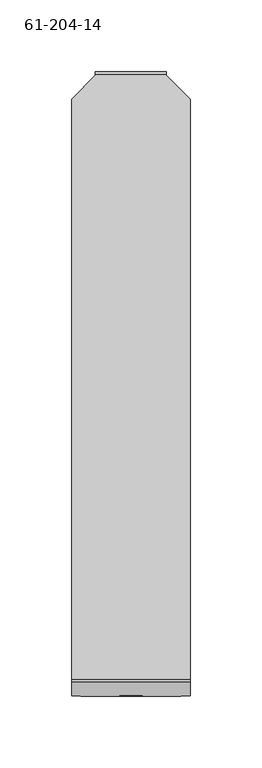
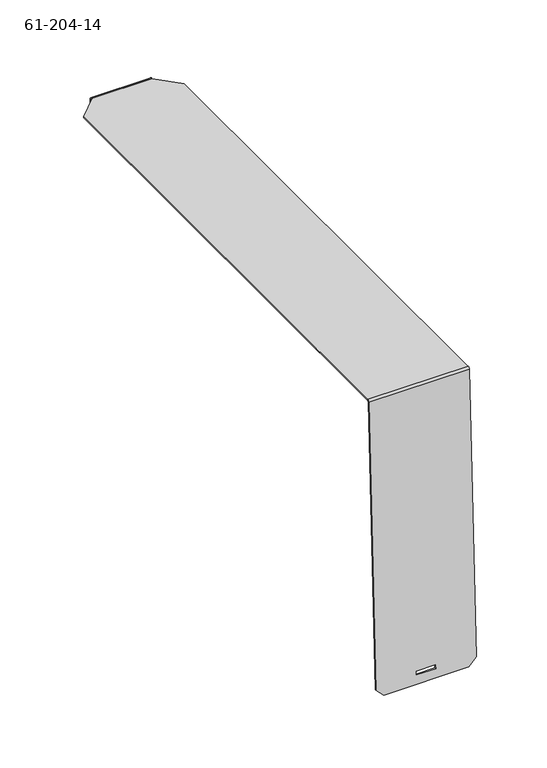
"""IFC4 building model written with IfcOpenShell, lengths in millimetres: proxy geometry, 61-204-14."""

import ifcopenshell
import ifcopenshell.guid

model = None  # the IFC model being written
_history = None  # IfcOwnerHistory: only IFC2X3 demands one
_inside = {}  # id of a spatial element -> (the spatial element, [elements in it])
_under = {}  # id of a project, library or spatial element -> (it, [spatial elements below it])
_declared = {}  # id of a project -> (the project, [libraries it declares])
_typed = {}  # id of a type object -> (the type object, [elements of that type])
_made_of = {}  # id of a material, layer set ... -> (it, [elements and type objects made of it])


def new_model(schema):
    """Start an empty IFC model of exactly this schema.

    Asked for "IFC4X3", IfcOpenShell would pick the latest addendum, in which some entities
    have other attributes; the version numbers below select the first issue.
    IFC2X3 requires an IfcOwnerHistory on every rooted entity: one is made here for all.
    """
    global model, _history
    if schema == "IFC4X3":
        model = ifcopenshell.file(schema_version=(4, 3, 0, 0))
    else:
        model = ifcopenshell.file(schema=schema)
    _inside.clear()
    _under.clear()
    _declared.clear()
    _typed.clear()
    _made_of.clear()
    _history = None
    if model.schema == "IFC2X3":
        org = make("IfcOrganization", Name="unknown")
        user = make(
            "IfcPersonAndOrganization",
            ThePerson=make("IfcPerson", FamilyName="unknown"),
            TheOrganization=org,
        )
        app = make(
            "IfcApplication",
            ApplicationDeveloper=org,
            Version="unknown",
            ApplicationFullName="unknown",
            ApplicationIdentifier="unknown",
        )
        _history = make(
            "IfcOwnerHistory",
            OwningUser=user,
            OwningApplication=app,
            ChangeAction="ADDED",
            CreationDate=0,
        )
    return model


def make(cls, **values):
    """One entity of the class cls with the attributes given. An attribute that is None is left unset."""
    return model.create_entity(
        cls, **{name: value for name, value in values.items() if value is not None}
    )


def rooted(cls, **values):
    """An entity with a GlobalId (a new one), such as an element, a storey or a relation."""
    return make(cls, GlobalId=ifcopenshell.guid.new(), OwnerHistory=_history, **values)


def si_unit(unit_type, name, prefix=None):
    """IfcSIUnit, for example si_unit("LENGTHUNIT", "METRE", prefix="MILLI")."""
    return make("IfcSIUnit", UnitType=unit_type, Prefix=prefix, Name=name)


def assignment(units):
    """IfcUnitAssignment: the units of a project."""
    return None if units is None else make("IfcUnitAssignment", Units=units)


def point(xyz):
    """IfcCartesianPoint."""
    return None if xyz is None else make("IfcCartesianPoint", Coordinates=xyz)


def direction(xyz):
    """IfcDirection."""
    return None if xyz is None else make("IfcDirection", DirectionRatios=xyz)


def frame(location, z_axis=None, x_axis=None):
    """IfcAxis2Placement3D, a coordinate frame: its origin and axes. An axis left out is left unset."""
    return make(
        "IfcAxis2Placement3D",
        Location=point(location),
        Axis=direction(z_axis),
        RefDirection=direction(x_axis),
    )


def origin():
    """The frame at (0, 0, 0) with its axes left unset."""
    return frame((0.0, 0.0, 0.0))


def place(relative_to, where):
    """IfcLocalPlacement: puts the frame where relative to a parent placement (None: the world)."""
    return make(
        "IfcLocalPlacement", PlacementRelTo=relative_to, RelativePlacement=where
    )


def context(
    kind, dimensions, precision=None, world=None, true_north=None, identifier=None
):
    """IfcGeometricRepresentationContext, for example the 3D "Model" context."""
    return make(
        "IfcGeometricRepresentationContext",
        ContextIdentifier=identifier,
        ContextType=kind,
        CoordinateSpaceDimension=dimensions,
        Precision=precision,
        WorldCoordinateSystem=world,
        TrueNorth=true_north,
    )


def project(units=None, contexts=None):
    """IfcProject with its units and contexts."""
    return rooted(
        "IfcProject",
        Name="project",
        RepresentationContexts=contexts,
        UnitsInContext=assignment(units),
    )


def spatial(cls, under=None, at=None, **own):
    """A site, building, storey or space (cls), placed at a placement, below another one or the project."""
    s = rooted(cls, ObjectPlacement=at, **own)
    if under is not None:
        _under.setdefault(under.id(), (under, []))[1].append(s)
    return s


def polyline(points):
    """IfcPolyline through the points."""
    return make("IfcPolyline", Points=[point(p) for p in points])


def circle_curve(where, radius):
    """IfcCircle in the frame where."""
    return make("IfcCircle", Position=where, Radius=radius)


def shape(context_of_items, identifier, shape_type, items):
    """IfcShapeRepresentation: the items that make up one representation, for example the "Body"."""
    return make(
        "IfcShapeRepresentation",
        ContextOfItems=context_of_items,
        RepresentationIdentifier=identifier,
        RepresentationType=shape_type,
        Items=items,
    )


def source(mapping_origin, context_of_items, identifier, shape_type, items):
    """IfcRepresentationMap: a shape defined once, which mapped items show again and again."""
    return make(
        "IfcRepresentationMap",
        MappingOrigin=mapping_origin,
        MappedRepresentation=shape(context_of_items, identifier, shape_type, items),
    )


def transform(
    local_origin,
    x_axis=None,
    y_axis=None,
    z_axis=None,
    scale=None,
    scale2=None,
    scale3=None,
    uniform=True,
):
    """IfcCartesianTransformationOperator3D, or its non-uniform kind. x_axis, y_axis, z_axis: its Axis1, 2, 3."""
    if uniform:
        return make(
            "IfcCartesianTransformationOperator3D",
            Axis1=direction(x_axis),
            Axis2=direction(y_axis),
            LocalOrigin=point(local_origin),
            Scale=scale,
            Axis3=direction(z_axis),
        )
    return make(
        "IfcCartesianTransformationOperator3DnonUniform",
        Axis1=direction(x_axis),
        Axis2=direction(y_axis),
        LocalOrigin=point(local_origin),
        Scale=scale,
        Axis3=direction(z_axis),
        Scale2=scale2,
        Scale3=scale3,
    )


def mapped(mapping_source, mapping_target):
    """IfcMappedItem: shows the shape of a source again, moved by a transform."""
    return make(
        "IfcMappedItem", MappingSource=mapping_source, MappingTarget=mapping_target
    )


def made_of(thing, what):
    """Note that an element or type object is made of a material, layer set ...; save() writes the relation."""
    if what is not None:
        _made_of.setdefault(what.id(), (what, []))[1].append(thing)
    return thing


def element(
    cls,
    number,
    at=None,
    inside=None,
    cuts=None,
    type_object=None,
    material=None,
    context=None,
    identifier="Body",
    shape_type=None,
    held_by="IfcProductDefinitionShape",
    body=None,
    shapes=None,
    **own,
):
    """One element of the class cls, such as IfcWall. Its Tag is "e" and its number.

    at: its placement. inside: the storey or other place that contains it. cuts: it is an
    opening in that element (IfcRelVoidsElement). A single representation is given by context,
    identifier, shape_type and body (its items); several are given by shapes. held_by: the class
    of the entity that holds the representations. save() writes the other relations.
    """
    e = rooted(cls, Tag="e%d" % number, ObjectPlacement=at, **own)
    if body is not None:
        shapes = [shape(context, identifier, shape_type, body)]
    if shapes is not None:
        e.Representation = make(held_by, Representations=shapes)
    if inside is not None:
        _inside.setdefault(inside.id(), (inside, []))[1].append(e)
    if cuts is not None:
        rooted(
            "IfcRelVoidsElement", RelatingBuildingElement=cuts, RelatedOpeningElement=e
        )
    if type_object is not None:
        _typed.setdefault(type_object.id(), (type_object, []))[1].append(e)
    return made_of(e, material)


def aggregate(whole, parts):
    """IfcRelAggregates: a whole, such as a stair, and the parts it consists of."""
    return rooted("IfcRelAggregates", RelatingObject=whole, RelatedObjects=parts)


def save(model, path):
    """Write the relations noted so far, then the file.

    IfcRelAggregates (storeys below a building ...), IfcRelContainedInSpatialStructure (elements
    in a storey), IfcRelDefinesByType, IfcRelAssociatesMaterial and IfcRelDeclares: one each for
    every whole, place, type object, material and project.
    """
    for whole, parts in _under.values():
        aggregate(whole, parts)
    for where, things in _inside.values():
        rooted(
            "IfcRelContainedInSpatialStructure",
            RelatedElements=things,
            RelatingStructure=where,
        )
    for kind, things in _typed.values():
        rooted("IfcRelDefinesByType", RelatedObjects=things, RelatingType=kind)
    for what, things in _made_of.values():
        rooted("IfcRelAssociatesMaterial", RelatedObjects=things, RelatingMaterial=what)
    for by, libraries in _declared.values():
        rooted("IfcRelDeclares", RelatingContext=by, RelatedDefinitions=libraries)
    model.write(path)


def plane_surface(at):
    """IfcPlane: the flat surface through the origin of the frame at, square to its z axis."""
    return make("IfcPlane", Position=at)


def cylinder_surface(at, radius):
    """IfcCylindricalSurface: all points at the distance radius from the z axis of the frame at."""
    return make("IfcCylindricalSurface", Position=at, Radius=radius)


def revolved_surface(curve, axis_point, axis_direction):
    """IfcSurfaceOfRevolution: the curve turned about the line through axis_point along axis_direction."""
    return make(
        "IfcSurfaceOfRevolution",
        SweptCurve=make("IfcArbitraryOpenProfileDef", ProfileType="CURVE", Curve=curve),
        AxisPosition=make("IfcAxis1Placement", Location=point(axis_point), Axis=direction(axis_direction)),
    )


def advanced_brep(points, edges, surfaces, faces):
    """IfcAdvancedBrep: a solid bounded by faces that lie on surfaces and meet in shared edges.

    An edge is (start, end): straight between two places in points (the first is 0);
    or (start, end, curve); or (start, end, curve, False) where it runs against its curve.
    A face is (place in surfaces, loops), or (place, loops, False) where it looks against
    its surface's normal. A loop lists edges by number (the first is 1), with a minus sign
    where the edge is run from its end to its start. The first loop is the outer one.
    """
    corners = [point(p) for p in points]
    vertices = [make("IfcVertexPoint", VertexGeometry=c) for c in corners]
    made = []
    for start, end, *more in edges:
        made.append(
            make(
                "IfcEdgeCurve",
                EdgeStart=vertices[start],
                EdgeEnd=vertices[end],
                EdgeGeometry=more[0] if more else make("IfcPolyline", Points=[corners[start], corners[end]]),
                SameSense=more[1] if len(more) > 1 else True,
            )
        )
    hull = []
    for where, loops, *sense in faces:
        bounds = []
        for j, loop in enumerate(loops):
            ring = [make("IfcOrientedEdge", EdgeElement=made[abs(k) - 1], Orientation=k > 0) for k in loop]
            bounds.append(
                make(
                    "IfcFaceOuterBound" if j == 0 else "IfcFaceBound",
                    Bound=make("IfcEdgeLoop", EdgeList=ring),
                    Orientation=True,
                )
            )
        hull.append(make("IfcAdvancedFace", Bounds=bounds, FaceSurface=surfaces[where], SameSense=sense[0] if sense else True))
    return make("IfcAdvancedBrep", Outer=make("IfcClosedShell", CfsFaces=hull))


def proxy_61_204_14_626d9cd8(model_context):
    return source(origin(), model_context, "Body", "AdvancedBrep", [
        advanced_brep(
        [(0.0, -10.8620109, -244.719881), (6.35, -11.1223846, -251.0645406), (6.35, -11.9751069, -251.0295464), (0.0, -11.7147331, -244.6848867), (0.0, -1.7054445, -0.7834515), (0.0, -0.8527223, -0.8184458), (76.2, -11.9751069, -251.0295464), (82.55, -11.7147331, -244.6848867), (82.55, -1.7054445, -0.7834515), (33.3375, -11.6517214, -243.1494485), (33.3375, -11.5215345, -239.9771187), (49.2125, -11.5215345, -239.9771187), (49.2125, -11.6517214, -243.1494485), (76.2, -11.1223846, -251.0645406), (82.55, -10.8620109, -244.719881), (82.55, -0.8527223, -0.8184458), (33.3375, -10.7989992, -243.1844427), (33.3375, -10.6688123, -240.0121129), (49.2125, -10.7989992, -243.1844427), (49.2125, -10.6688123, -240.0121129), (0.0, 404.495, 0.85344), (16.51, 421.005, 0.85344), (16.51, 421.005, 0.0), (0.0, 404.495, 0.0), (66.04, 421.005, 0.85344), (82.55, 404.495, 0.85344), (82.55, 404.495, 0.0), (66.04, 421.005, 0.0), (0.0, 0.0, 0.0), (0.0, 0.0, 0.85344), (16.51, 421.83812, 0.0), (66.04, 421.83812, 0.0), (82.55, 0.0, 0.0), (16.51, 417.195, -8.67156), (19.685, 414.02, -8.67156), (19.685, 414.02, -7.81812), (16.51, 417.195, -7.81812), (62.865, 414.02, -8.67156), (62.865, 414.02, -7.81812), (16.51, 421.83812, -8.67156), (66.04, 421.83812, -8.67156), (66.04, 417.195, -8.67156), (66.04, 417.195, -7.81812), (66.04, 421.83812, -7.81812), (16.51, 421.83812, -7.81812), (16.51, 422.69156, -6.96468), (16.51, 422.69156, -0.85344), (16.51, 421.83812, 0.85344), (16.51, 423.545, -0.85344), (16.51, 423.545, -6.96468), (66.04, 423.545, -6.96468), (66.04, 423.545, -0.85344), (66.04, 421.83812, 0.85344), (66.04, 422.69156, -0.85344), (66.04, 422.69156, -6.96468), (82.55, 0.0, 0.85344)],
        [
            (0, 1),
            (1, 2),
            (2, 3),
            (3, 0),
            (3, 4),
            (4, 5),
            (5, 0),
            (2, 6),
            (6, 7),
            (7, 8),
            (8, 4),
            (9, 10),
            (10, 11),
            (11, 12),
            (12, 9),
            (13, 14),
            (14, 7),
            (6, 13),
            (14, 15),
            (15, 8),
            (1, 13),
            (9, 16),
            (16, 17),
            (17, 10),
            (12, 18),
            (18, 16),
            (11, 19),
            (19, 18),
            (17, 19),
            (20, 21),
            (21, 22),
            (22, 23),
            (23, 20),
            (24, 25),
            (25, 26),
            (26, 27),
            (27, 24),
            (23, 28),
            (28, 29),
            (29, 20),
            (22, 30),
            (30, 31),
            (31, 27),
            (26, 32),
            (32, 28),
            (33, 34),
            (34, 35),
            (35, 36),
            (36, 33),
            (34, 37),
            (37, 38),
            (38, 35),
            (33, 39),
            (39, 40),
            (40, 41),
            (41, 37),
            (42, 38),
            (41, 42),
            (42, 43),
            (43, 44),
            (44, 36),
            (44, 45, circle_curve(frame((16.51, 421.83812, -6.96468), z_axis=(1.0, 0.0, 0.0), x_axis=(0.0, 1.0, 0.0)), 0.85344)),
            (45, 46),
            (46, 30, circle_curve(frame((16.51, 421.83812, -0.85344), z_axis=(1.0, 0.0, 0.0), x_axis=(0.0, 0.0, 1.0)), 0.85344)),
            (21, 47),
            (47, 48, circle_curve(frame((16.51, 421.83812, -0.85344), z_axis=(-1.0, 0.0, 0.0), x_axis=(0.0, 0.0, 1.0)), 1.70688)),
            (48, 49),
            (49, 39, circle_curve(frame((16.51, 421.83812, -6.96468), z_axis=(-1.0, 0.0, 0.0), x_axis=(0.0, 1.0, 0.0)), 1.70688)),
            (40, 50, circle_curve(frame((66.04, 421.83812, -6.96468), z_axis=(1.0, 0.0, 0.0), x_axis=(0.0, 1.0, 0.0)), 1.70688)),
            (50, 51),
            (51, 52, circle_curve(frame((66.04, 421.83812, -0.85344), z_axis=(1.0, 0.0, 0.0), x_axis=(0.0, 0.0, 1.0)), 1.70688)),
            (52, 24),
            (31, 53, circle_curve(frame((66.04, 421.83812, -0.85344), z_axis=(-1.0, 0.0, 0.0), x_axis=(0.0, 0.0, 1.0)), 0.85344)),
            (53, 54),
            (54, 43, circle_curve(frame((66.04, 421.83812, -6.96468), z_axis=(-1.0, 0.0, 0.0), x_axis=(0.0, 1.0, 0.0)), 0.85344)),
            (48, 51),
            (50, 49),
            (47, 52),
            (29, 55),
            (55, 25),
            (15, 5),
            (5, 28, circle_curve(frame((0.0, 0.0, -0.85344), z_axis=(-1.0, 0.0, 0.0), x_axis=(0.0, 0.0, 1.0)), 0.85344)),
            (32, 15, circle_curve(frame((82.55, 0.0, -0.85344), z_axis=(1.0, 0.0, 0.0), x_axis=(0.0, 0.0, 1.0)), 0.85344)),
            (4, 29, circle_curve(frame((0.0, 0.0, -0.85344), z_axis=(-1.0, 0.0, 0.0), x_axis=(0.0, 0.0, 1.0)), 1.70688)),
            (32, 55),
            (55, 8, circle_curve(frame((82.55, 0.0, -0.85344), z_axis=(1.0, 0.0, 0.0), x_axis=(0.0, 0.0, 1.0)), 1.70688)),
            (54, 45),
            (46, 53),
        ],
        [
            plane_surface(frame((3.175, -11.84492, -247.8572166), z_axis=(-0.7071067811865475, -0.028994021719830402, -0.706512099474956), x_axis=(-0.70680925270258, 0.0, 0.7074041845324499))),
            plane_surface(frame((0.0, -1.7054445, -0.7834515), z_axis=(-1.0000000000000002, 0.0, 0.0), x_axis=(0.0, -0.9991589930581711, 0.0410037387439448))),
            plane_surface(frame((41.275, -11.6756771, -243.7331878), z_axis=(0.0, -0.9991589930581711, 0.041003738743944834), x_axis=(0.0, 0.041003738743944834, 0.9991589930581711))),
            plane_surface(frame((79.375, -11.4185589, -247.8747137), z_axis=(0.7071067811865477, -0.028994021719830402, -0.7065120994749561), x_axis=(-0.70680925270258, 0.0, -0.70740418453245))),
            plane_surface(frame((82.55, -10.6276745, -239.0096873), z_axis=(1.0, 0.0, 0.0), x_axis=(0.0, 0.0, -1.0))),
            plane_surface(frame((0.0, -11.9751069, -251.0295464), z_axis=(0.0, -0.04100373874392423, -0.9991589930581719), x_axis=(-1.0, 0.0, 0.0))),
            plane_surface(frame((33.3375, -11.6517214, -243.1494485), z_axis=(1.0000000000000002, 0.0, 0.0), x_axis=(0.0, 0.04100373874394484, 0.9991589930581711))),
            plane_surface(frame((49.2125, -11.6517214, -243.1494485), z_axis=(0.0, 0.04100373874392423, 0.9991589930581719), x_axis=(-1.0, 0.0, 0.0))),
            plane_surface(frame((49.2125, -11.5215345, -239.9771187), z_axis=(-1.0000000000000002, 0.0, 0.0), x_axis=(0.0, -0.04100373874394484, -0.9991589930581711))),
            plane_surface(frame((33.3375, -11.5215345, -239.9771187), z_axis=(0.0, -0.04100373874392423, -0.9991589930581719), x_axis=(1.0, 0.0, 0.0))),
            plane_surface(frame((16.51, 421.005, 0.85344), z_axis=(-0.7071067811865448, 0.7071067811865503, 0.0), x_axis=(-0.7071067811865503, -0.7071067811865448, 0.0))),
            plane_surface(frame((82.55, 404.495, 0.85344), z_axis=(0.7071067811865464, 0.7071067811865487, 0.0), x_axis=(-0.7071067811865487, 0.7071067811865464, 0.0))),
            plane_surface(frame((0.0, 0.0, 0.0), z_axis=(-1.0, 0.0, 0.0), x_axis=(0.0, 0.0, 1.0))),
            plane_surface(frame((41.275, 211.7725, 0.0), z_axis=(0.0, 0.0, -1.0), x_axis=(1.0, 0.0, 0.0))),
            plane_surface(frame((18.0975, 415.6075, -8.9782434), z_axis=(-0.7071067811865587, -0.7071067811865364, 0.0), x_axis=(0.0, 0.0, 1.0))),
            plane_surface(frame((82.55, 414.02, -8.67156), z_axis=(0.0, -1.0, 0.0), x_axis=(-1.0, 0.0, 0.0))),
            plane_surface(frame((41.275, 418.8942779, -8.67156), z_axis=(0.0, 0.0, -1.0), x_axis=(0.0, 1.0, 0.0))),
            plane_surface(frame((64.4525, 415.6075, -1.5756625), z_axis=(0.7071067811865506, -0.7071067811865446, 0.0), x_axis=(0.0, 0.0, -1.0))),
            plane_surface(frame((41.275, 418.8942779, -7.81812), z_axis=(0.0, 0.0, 1.0), x_axis=(0.0, 1.0, 0.0))),
            plane_surface(frame((16.51, 423.545, -9.2849269), z_axis=(-1.0, 0.0, 0.0), x_axis=(0.0, 0.0, 1.0))),
            plane_surface(frame((66.04, 423.545, 5.5202351), z_axis=(1.0, 0.0, 0.0), x_axis=(0.0, 0.0, -1.0))),
            plane_surface(frame((41.275, 423.545, -3.7972821), z_axis=(0.0, 1.0, 0.0), x_axis=(1.0, 0.0, 0.0))),
            cylinder_surface(frame((41.275, 421.83812, -6.96468), z_axis=(-1.0, 0.0, 0.0), x_axis=(0.0, 1.0, 0.0)), 1.70688),
            cylinder_surface(frame((41.275, 421.83812, -0.85344), z_axis=(-1.0, 0.0, 0.0), x_axis=(0.0, 0.0, 1.0)), 1.70688),
            plane_surface(frame((41.275, 211.7725, 0.85344), z_axis=(0.0, 0.0, 1.0), x_axis=(1.0, 0.0, 0.0))),
            revolved_surface(polyline([(82.55, 0.0, 0.0), (0.0, 0.0, 0.0)]), (41.275, 0.0, -0.85344), (1.0, 0.0, 0.0)),
            plane_surface(frame((0.0, -1.7054445, -0.7834515), z_axis=(-1.0, 0.0, 0.0), x_axis=(0.0, 0.0, 1.0))),
            plane_surface(frame((82.55, -0.8527223, -0.8184458), z_axis=(1.0, 0.0, 0.0), x_axis=(0.0, 0.0, -1.0))),
            plane_surface(frame((41.275, -5.7016542, -118.9748421), z_axis=(0.0, 0.9991589930581711, -0.0410037387439448), x_axis=(1.0, 0.0, 0.0))),
            cylinder_surface(frame((41.275, 0.0, -0.85344), z_axis=(1.0, 0.0, 0.0), x_axis=(0.0, 0.0, 1.0)), 1.70688),
            revolved_surface(polyline([(16.51, 422.69156, -6.96468), (66.04, 422.69156, -6.96468)]), (41.275, 421.83812, -6.96468), (-1.0, 0.0, 0.0)),
            revolved_surface(polyline([(16.51, 421.83812, 0.0), (66.04, 421.83812, 0.0)]), (41.275, 421.83812, -0.85344), (-1.0, 0.0, 0.0)),
            plane_surface(frame((41.275, 422.69156, -3.7972821), z_axis=(0.0, -1.0, 0.0), x_axis=(1.0, 0.0, 0.0))),
            plane_surface(frame((82.55, 423.545, 0.0), z_axis=(1.0, 0.0, 0.0), x_axis=(0.0, 0.0, -1.0))),
        ],
        [
            (0, [[1, 2, 3, 4]]),
            (1, [[-4, 5, 6, 7]]),
            (2, [[-3, 8, 9, 10, 11, -5], [12, 13, 14, 15]]),
            (3, [[16, 17, -9, 18]]),
            (4, [[-17, 19, 20, -10]]),
            (5, [[-2, 21, -18, -8]]),
            (6, [[-12, 22, 23, 24]]),
            (7, [[-15, 25, 26, -22]]),
            (8, [[-14, 27, 28, -25]]),
            (9, [[-13, -24, 29, -27]]),
            (10, [[30, 31, 32, 33]]),
            (11, [[34, 35, 36, 37]]),
            (12, [[-33, 38, 39, 40]]),
            (13, [[-32, 41, 42, 43, -36, 44, 45, -38]]),
            (14, [[46, 47, 48, 49]]),
            (15, [[-47, 50, 51, 52]]),
            (16, [[-46, 53, 54, 55, 56, -50]]),
            (17, [[57, -51, -56, 58]]),
            (18, [[-48, -52, -57, 59, 60, 61]]),
            (19, [[-49, -61, 62, 63, 64, -41, -31, 65, 66, 67, 68, -53]]),
            (20, [[-58, -55, 69, 70, 71, 72, -37, -43, 73, 74, 75, -59]]),
            (21, [[-67, 76, -70, 77]]),
            (22, [[-68, -77, -69, -54]]),
            (23, [[-66, 78, -71, -76]]),
            (24, [[-30, -40, 79, 80, -34, -72, -78, -65]]),
            (25, [[81, 82, -45, 83]]),
            (26, [[-6, 84, -39, -82]]),
            (27, [[-20, -83, 85, 86]]),
            (28, [[-1, -7, -81, -19, -16, -21], [-23, -26, -28, -29]]),
            (29, [[-11, -86, -79, -84]]),
            (30, [[-62, -60, -75, 87]]),
            (31, [[-64, 88, -73, -42]]),
            (32, [[-63, -87, -74, -88]]),
            (33, [[-35, -80, -85, -44]]),
        ],
    ),
    ])


if __name__ == "__main__":
    model = new_model("IFC4")
    model_context = context("Model", 3, world=origin())
    ifc_project = project(units=[si_unit("LENGTHUNIT", "METRE", prefix="MILLI")], contexts=[model_context])
    site = spatial("IfcSite", under=ifc_project)
    building = spatial("IfcBuilding", under=site)
    placement = place(None, origin())
    proxy_61_204_14_shape = proxy_61_204_14_626d9cd8(model_context)
    element("IfcBuildingElementProxy", 1, Name="61-204-14", ObjectType="61-204-14", at=placement, inside=building, context=model_context, shape_type="MappedRepresentation", body=[
        mapped(proxy_61_204_14_shape, transform((0.0, 0.0, 0.0), x_axis=(1.0, 0.0, 0.0), y_axis=(0.0, 1.0, 0.0), z_axis=(0.0, 0.0, 1.0))),
    ])
    save(model, "model.ifc")
